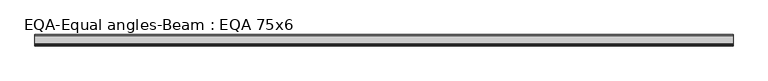
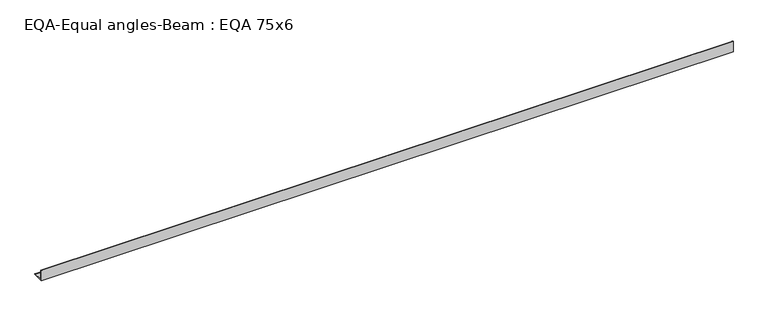
"""IFC4 building model written with IfcOpenShell, lengths in millimetres: beam geometry, EQA-Equal angles-Beam : EQA 75x6."""

from ifc_helpers import new_model, si_unit, point, frame, frame_2d, origin, place, context, project, spatial, polyline, circle_curve, trimmed, segment, composite_curve, outline, extrude, source, transform, mapped, element, save


def eqa_equal_angles_beam_eqa_75x6_077c7ff1(model_context):
    return source(origin(), model_context, "Body", "SweptSolid", [
        extrude(outline(composite_curve([segment(polyline([(-20.5, -20.5), (-20.5, 54.5), (-19.0, 54.5)]), True, "CONTINUOUS"), segment(trimmed(circle_curve(frame_2d((-19.0, 50.0)), 4.5), [point((-19.0, 54.5))], [point((-14.5, 50.0))], False, "CARTESIAN"), True, "CONTINUOUS"), segment(polyline([(-14.5, 50.0), (-14.5, -5.5)]), True, "CONTINUOUS"), segment(trimmed(circle_curve(frame_2d((-5.5, -5.5)), 9.0), [point((-14.5, -5.5))], [point((-5.5, -14.5))], True, "CARTESIAN"), True, "CONTINUOUS"), segment(polyline([(-5.5, -14.5), (50.0, -14.5)]), True, "CONTINUOUS"), segment(trimmed(circle_curve(frame_2d((50.0, -19.0)), 4.5), [point((50.0, -14.5))], [point((54.5, -19.0))], False, "CARTESIAN"), True, "CONTINUOUS"), segment(polyline([(54.5, -19.0), (54.5, -20.5), (-20.5, -20.5)]), True, "CONTINUOUS")], self_intersect=False)), frame((-2345.4039714, 0.0, 0.0), z_axis=(1.0, 0.0, 0.0), x_axis=(0.0, 1.0, 0.0)), (0.0, 0.0, 1.0), 4681.2041743),
    ])


if __name__ == "__main__":
    model = new_model("IFC4")
    model_context = context("Model", 3, world=origin())
    ifc_project = project(units=[si_unit("LENGTHUNIT", "METRE", prefix="MILLI")], contexts=[model_context])
    site = spatial("IfcSite", under=ifc_project)
    building = spatial("IfcBuilding", under=site)
    placement = place(None, origin())
    eqa_equal_angles_beam_eqa_75x6_shape = eqa_equal_angles_beam_eqa_75x6_077c7ff1(model_context)
    element("IfcBeam", 1, ObjectType="EQA-Equal angles-Beam : EQA 75x6", at=placement, inside=building, context=model_context, shape_type="MappedRepresentation", body=[
        mapped(eqa_equal_angles_beam_eqa_75x6_shape, transform((0.0, 0.0, 0.0), x_axis=(1.0, 0.0, 0.0), y_axis=(0.0, 1.0, 0.0), z_axis=(0.0, 0.0, 1.0))),
    ])
    save(model, "model.ifc")
